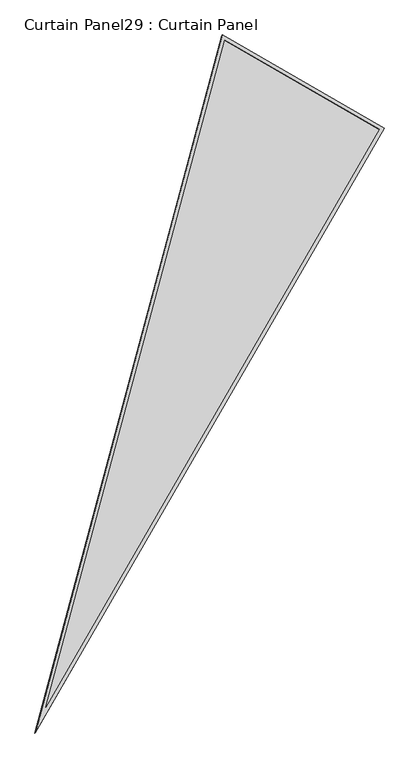
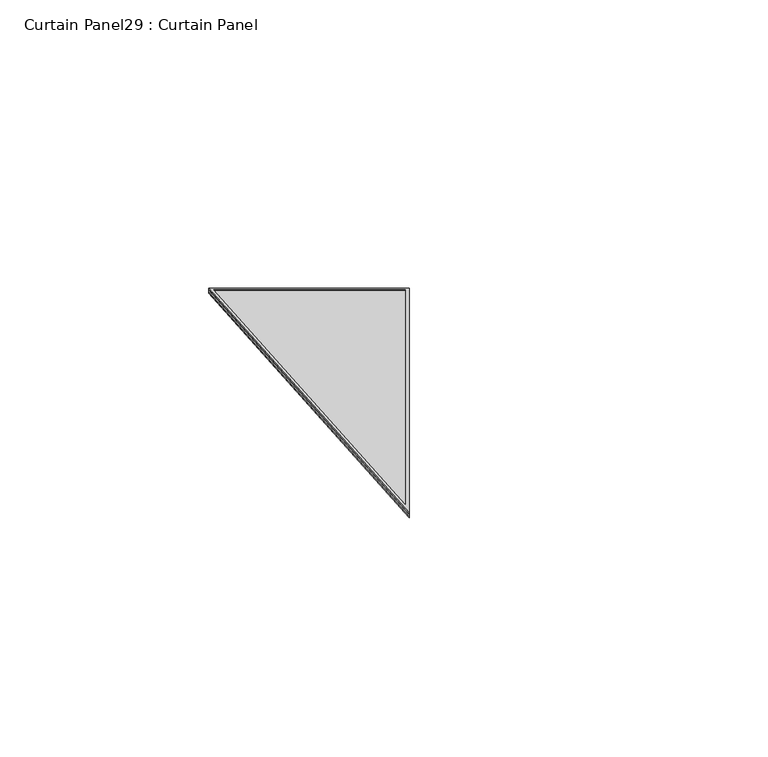
"""IFC4 building model written with IfcOpenShell, lengths in millimetres: plate geometry, Curtain Panel29 : Curtain Panel."""

from ifc_helpers import new_model, si_unit, frame, origin, place, context, project, spatial, polyline, outline, extrude, source, transform, mapped, element, save


def curtain_panel29_curtain_panel_be909b7f(model_context):
    return source(origin(), model_context, "Body", "SweptSolid", [
        extrude(outline(polyline([(895.9373554, 0.0), (895.9373554, -3524.4506618), (0.0, 0.0), (895.9373554, 0.0)]), holes=[polyline([(879.2745574, -16.6627979), (21.4285394, -16.6627979), (879.2745575, -3391.2692345), (879.2745574, -16.6627979)])]), frame((14082.4713351, 7984.3559194, 898.6840946), z_axis=(0.1580729119869058, 0.27379031486167743, 0.9487106081329141), x_axis=(0.8660254037844335, -0.500000000000009, 0.0)), (0.0, 0.0, 1.0), 4.8486847),
        extrude(outline(polyline([(895.9373554, 0.0), (895.9373555, -3524.4506618), (0.0, 0.0), (895.9373554, 0.0)]), holes=[polyline([(885.6245576, -10.3127979), (13.2623703, -10.3127979), (885.6245575, -3442.0231397), (885.6245576, -10.3127979)])]), frame((14079.6876599, 7979.5344526, 881.9772337), z_axis=(0.15807291198690573, 0.27379031486167743, 0.9487106081329141), x_axis=(0.8660254037844332, -0.5000000000000095, 0.0)), (0.0, 0.0, 1.0), 4.7317885),
        extrude(outline(polyline([(20.1836541, 0.0), (916.1210095, 1e-07), (916.1210095, -3524.4506618), (20.1836541, 0.0)])), frame((14062.9560703, 7990.9217975, 886.4663317), z_axis=(0.15807291198690576, 0.27379031486167754, 0.948710608132914), x_axis=(0.8660254037844333, -0.5000000000000094, 0.0)), (0.0, 0.0, 1.0), 12.8782822),
    ])


if __name__ == "__main__":
    model = new_model("IFC4")
    model_context = context("Model", 3, world=origin())
    ifc_project = project(units=[si_unit("LENGTHUNIT", "METRE", prefix="MILLI")], contexts=[model_context])
    site = spatial("IfcSite", under=ifc_project)
    building = spatial("IfcBuilding", under=site)
    placement = place(None, origin())
    curtain_panel29_curtain_panel_shape = curtain_panel29_curtain_panel_be909b7f(model_context)
    element("IfcPlate", 1, ObjectType="Curtain Panel29 : Curtain Panel", at=placement, inside=building, context=model_context, shape_type="MappedRepresentation", body=[
        mapped(curtain_panel29_curtain_panel_shape, transform((0.0, 0.0, 0.0), x_axis=(1.0, 0.0, 0.0), y_axis=(0.0, 1.0, 0.0), z_axis=(0.0, 0.0, 1.0))),
    ])
    save(model, "model.ifc")
